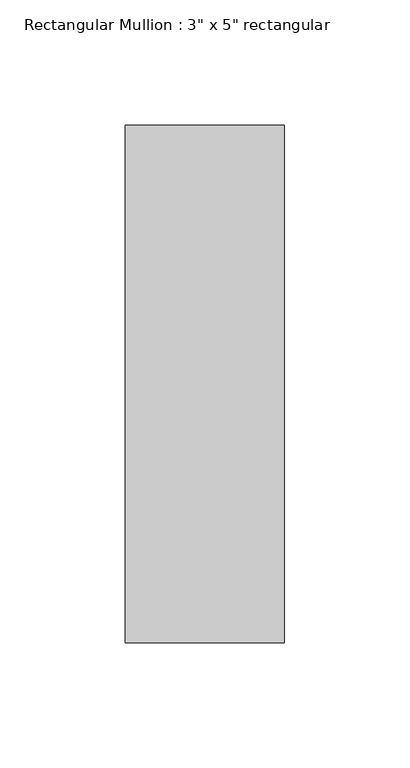
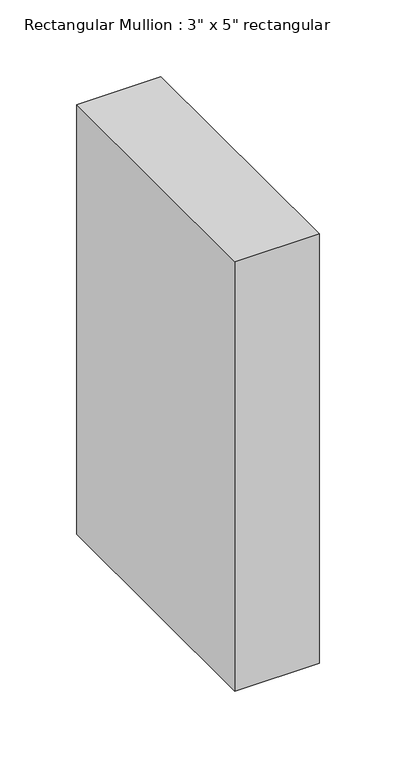
"""IFC4 building model written with IfcOpenShell, lengths in millimetres: member geometry."""

from ifc_helpers import new_model, si_unit, frame, origin, place, context, project, spatial, polyline, outline, extrude, source, transform, mapped, element, save


def member_1bf333c3(model_context):
    return source(origin(), model_context, "Body", "SweptSolid", [
        extrude(outline(polyline([(31.75, 90.551), (31.75, -115.951), (-31.75, -115.951), (-31.75, 90.551), (31.75, 90.551)])), frame((0.0, 0.0, -342.4), z_axis=(0.0, 0.0, 1.0), x_axis=(1.0, 0.0, 0.0)), (0.0, 0.0, 1.0), 342.4),
    ])


if __name__ == "__main__":
    model = new_model("IFC4")
    model_context = context("Model", 3, world=origin())
    ifc_project = project(units=[si_unit("LENGTHUNIT", "METRE", prefix="MILLI")], contexts=[model_context])
    site = spatial("IfcSite", under=ifc_project)
    building = spatial("IfcBuilding", under=site)
    placement = place(None, origin())
    member_shape = member_1bf333c3(model_context)
    element("IfcMember", 1, ObjectType="Rectangular Mullion : 3\" x 5\" rectangular", at=placement, inside=building, context=model_context, shape_type="MappedRepresentation", body=[
        mapped(member_shape, transform((0.0, 0.0, 0.0), x_axis=(1.0, 0.0, 0.0), y_axis=(0.0, 1.0, 0.0), z_axis=(0.0, 0.0, 1.0))),
    ])
    save(model, "model.ifc")
